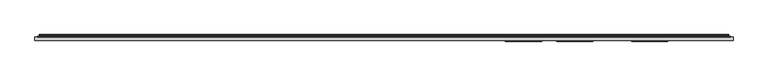
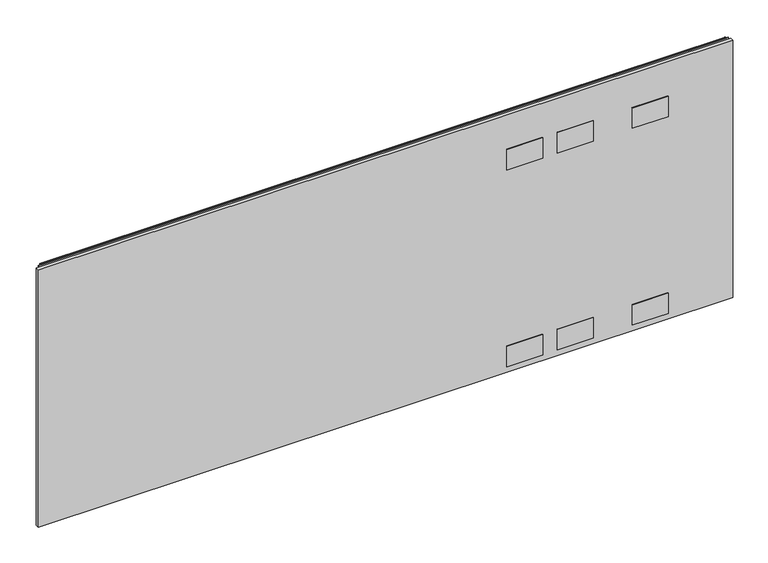
"""IFC4 building model written with IfcOpenShell, lengths in millimetres: furniture geometry."""

from ifc_helpers import new_model, si_unit, point, frame, frame_2d, origin, place, context, project, spatial, polyline, circle_curve, trimmed, segment, composite_curve, outline, extrude, source, transform, mapped, element, save


def furniture_409b31b5(model_context):
    return source(origin(), model_context, "Body", "SweptSolid", [
        extrude(outline(polyline([(1.778, 1.45288), (1.778, 10.9778796), (1827.0219835, 10.9778796), (1827.0219835, 1.45288), (1.778, 1.45288)])), frame((0.0, 0.0, 16.0528), z_axis=(0.0, 0.0, 1.0), x_axis=(1.0, 0.0, 0.0)), (0.0, 0.0, 1.0), 715.7592871),
        extrude(outline(polyline([(1326.261016, -0.57912), (1232.027015, -0.57912), (1232.027015, 1.45288), (1326.261016, 1.45288), (1326.261016, -0.57912)])), frame((0.0, 0.0, 33.5787996), z_axis=(0.0, 0.0, 1.0), x_axis=(1.0, 0.0, 0.0)), (0.0, 0.0, 1.0), 56.6420005),
        extrude(outline(polyline([(1459.611016, -0.57912), (1365.377015, -0.57912), (1365.377015, 1.45288), (1459.611016, 1.45288), (1459.611016, -0.57912)])), frame((0.0, 0.0, 33.5787996), z_axis=(0.0, 0.0, 1.0), x_axis=(1.0, 0.0, 0.0)), (0.0, 0.0, 1.0), 56.6420005),
        extrude(outline(polyline([(1656.4610281, -0.57912), (1562.2270271, -0.57912), (1562.2270271, 1.45288), (1656.4610281, 1.45288), (1656.4610281, -0.57912)])), frame((0.0, 0.0, 33.5787996), z_axis=(0.0, 0.0, 1.0), x_axis=(1.0, 0.0, 0.0)), (0.0, 0.0, 1.0), 56.6420005),
        extrude(outline(polyline([(1326.261016, -0.57912), (1232.027015, -0.57912), (1232.027015, 1.45288), (1326.261016, 1.45288), (1326.261016, -0.57912)])), frame((0.0, 0.0, 581.1647054), z_axis=(0.0, 0.0, 1.0), x_axis=(1.0, 0.0, 0.0)), (0.0, 0.0, 1.0), 56.6420005),
        extrude(outline(polyline([(1459.611016, -0.57912), (1365.377015, -0.57912), (1365.377015, 1.45288), (1459.611016, 1.45288), (1459.611016, -0.57912)])), frame((0.0, 0.0, 581.1647054), z_axis=(0.0, 0.0, 1.0), x_axis=(1.0, 0.0, 0.0)), (0.0, 0.0, 1.0), 56.6420005),
        extrude(outline(polyline([(1656.4610281, -0.57912), (1562.2270271, -0.57912), (1562.2270271, 1.45288), (1656.4610281, 1.45288), (1656.4610281, -0.57912)])), frame((0.0, 0.0, 581.1647054), z_axis=(0.0, 0.0, 1.0), x_axis=(1.0, 0.0, 0.0)), (0.0, 0.0, 1.0), 56.6420005),
        extrude(outline(composite_curve([segment(polyline([(10.9778796, 736.2381024), (10.9778796, 737.1805903)]), True, "CONTINUOUS"), segment(trimmed(circle_curve(frame_2d((11.6164846, 737.1805903)), 0.638605), [point((10.9778796, 737.1805903))], [point((11.6164846, 737.8191953))], False, "CARTESIAN"), True, "CONTINUOUS"), segment(polyline([(11.6164846, 737.8191953), (13.251317, 737.8191953)]), True, "CONTINUOUS"), segment(trimmed(circle_curve(frame_2d((13.251317, 735.4458753)), 2.37332), [point((13.251317, 737.8191953))], [point((15.6071079, 735.1579575))], False, "CARTESIAN"), True, "CONTINUOUS"), segment(polyline([(15.6071079, 735.1579575), (15.2080413, 731.8927287)]), True, "CONTINUOUS"), segment(trimmed(circle_curve(frame_2d((17.5068753, 731.6117719)), 2.3159393), [point((15.2080413, 731.8927287))], [point((15.5012134, 730.4538018))], True, "CARTESIAN"), True, "CONTINUOUS"), segment(polyline([(15.5012134, 730.4538018), (16.6600675, 728.4466087), (15.9781592, 728.0529085), (14.819305, 730.0601016)]), True, "CONTINUOUS"), segment(trimmed(circle_curve(frame_2d((17.5068753, 731.6117719)), 3.1033393), [point((14.819305, 730.0601016))], [point((14.4264569, 731.9882516))], False, "CARTESIAN"), True, "CONTINUOUS"), segment(polyline([(14.4264569, 731.9882516), (14.8255236, 735.2534804)]), True, "CONTINUOUS"), segment(trimmed(circle_curve(frame_2d((13.251317, 735.4458753)), 1.58592), [point((14.8255236, 735.2534804))], [point((13.251317, 737.0317953))], True, "CARTESIAN"), True, "CONTINUOUS"), segment(polyline([(13.251317, 737.0317953), (11.7652796, 737.0317953), (11.7652796, 736.2381024), (10.9778796, 736.2381024)]), True, "CONTINUOUS")], self_intersect=False)), frame((13.7160002, 0.0, 0.0), z_axis=(1.0, 0.0, 0.0), x_axis=(0.0, 1.0, 0.0)), (0.0, 0.0, 1.0), 1801.3680076),
        extrude(outline(polyline([(8.1280002, 10.9778796), (8.1280002, 11.7652796), (1820.6720078, 11.7652796), (1820.6720078, 10.9778796), (8.1280002, 10.9778796)])), frame((0.0, 0.0, 705.5612079), z_axis=(0.0, 0.0, 1.0), x_axis=(1.0, 0.0, 0.0)), (0.0, 0.0, 1.0), 30.8009179),
    ])


if __name__ == "__main__":
    model = new_model("IFC4")
    model_context = context("Model", 3, world=origin())
    ifc_project = project(units=[si_unit("LENGTHUNIT", "METRE", prefix="MILLI")], contexts=[model_context])
    site = spatial("IfcSite", under=ifc_project)
    building = spatial("IfcBuilding", under=site)
    placement = place(None, origin())
    furniture_shape = furniture_409b31b5(model_context)
    element("IfcFurniture", 1, at=placement, inside=building, context=model_context, shape_type="MappedRepresentation", body=[
        mapped(furniture_shape, transform((0.0, 0.0, 0.0), x_axis=(1.0, 0.0, 0.0), y_axis=(0.0, 1.0, 0.0), z_axis=(0.0, 0.0, 1.0))),
    ])
    save(model, "model.ifc")
